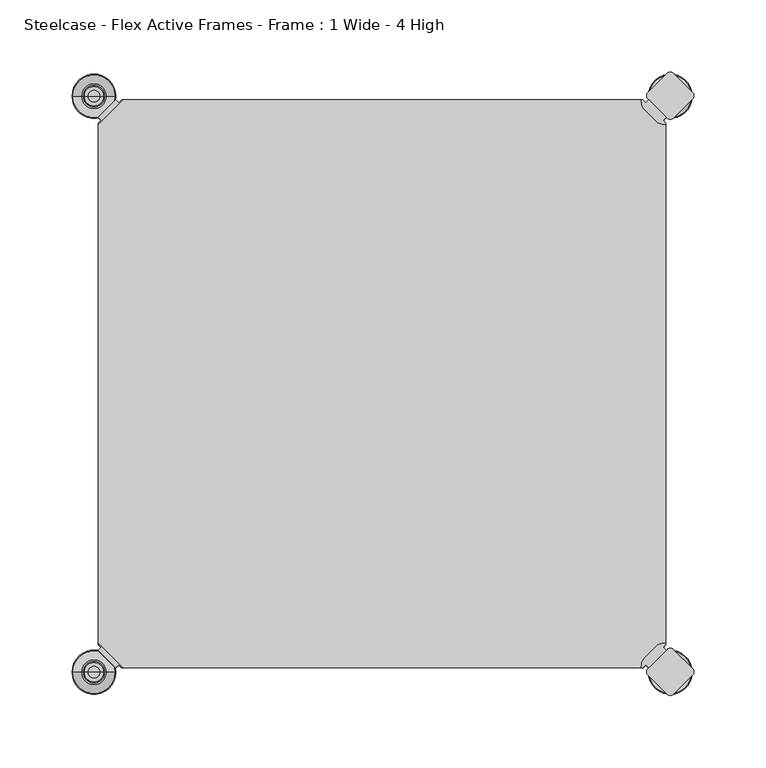
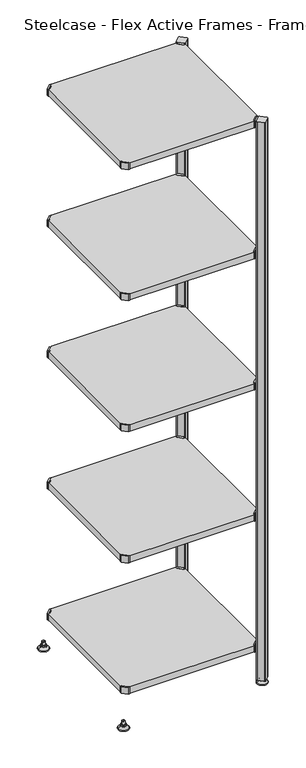
"""IFC4 building model written with IfcOpenShell, lengths in millimetres: furniture geometry, Steelcase - Flex Active Frames - Frame : 1 Wide - 4 High."""

from ifc_helpers import new_model, si_unit, point, frame, frame_2d, origin, place, context, project, spatial, polyline, circle_curve, ellipse_curve, trimmed, segment, composite_curve, outline, extrude, source, transform, mapped, element, save
from ifc_brep_helpers import plane_surface, cylinder_surface, revolved_surface, advanced_brep


def steelcase_flex_active_frames_frame_1_wide_4_high_0bc72460(model_context):
    return source(origin(), model_context, "Body", "SolidModel", [
        advanced_brep(
        [(397.0189896, -396.9286835, 0.0), (410.9677105, -396.9286835, 0.0), (383.0702688, -396.9286835, 0.0), (411.9146181, -396.9286835, 2.116325), (382.1233612, -396.9286835, 2.116325), (405.7623742, -396.9286835, 8.9997406), (388.2756051, -396.9286835, 8.9997406), (404.4198582, -396.9286835, 8.9997406), (389.6181211, -396.9286835, 8.9997406), (404.4198582, -396.9286835, 12.0919909), (389.6181211, -396.9286835, 12.0919909), (403.9118582, -396.9286835, 12.5999909), (390.1261211, -396.9286835, 12.5999909), (401.03832, -396.9286835, 12.5999909), (392.9996593, -396.9286835, 12.5999909), (401.03832, -396.9286835, 22.7146261), (392.9996593, -396.9286835, 22.7146261), (397.0189896, -396.9286835, 22.7146261)],
        [
            (0, 1),
            (1, 2, circle_curve(frame((397.0189896, -396.9286835, 0.0), z_axis=(0.0, 0.0, -1.0), x_axis=(1.0, 0.0, 0.0)), 13.9487209)),
            (2, 0),
            (2, 1, circle_curve(frame((397.0189896, -396.9286835, 0.0), z_axis=(0.0, 0.0, -1.0), x_axis=(1.0, 0.0, 0.0)), 13.9487209)),
            (1, 3, circle_curve(frame((410.9677105, -396.9286835, 1.27), z_axis=(0.0, -1.0, 0.0), x_axis=(1.0, 0.0, 0.0)), 1.27)),
            (3, 4, circle_curve(frame((397.0189896, -396.9286835, 2.116325), z_axis=(0.0, 0.0, -1.0), x_axis=(1.0, 0.0, 0.0)), 14.8956285)),
            (4, 2, circle_curve(frame((383.0702688, -396.9286835, 1.27), z_axis=(0.0, -1.0, 0.0), x_axis=(-1.0, 0.0, 0.0)), 1.27)),
            (4, 3, circle_curve(frame((397.0189896, -396.9286835, 2.116325), z_axis=(0.0, 0.0, -1.0), x_axis=(1.0, 0.0, 0.0)), 14.8956285)),
            (3, 5),
            (5, 6, circle_curve(frame((397.0189896, -396.9286835, 8.9997406), z_axis=(0.0, 0.0, -1.0), x_axis=(1.0, 0.0, 0.0)), 8.7433846)),
            (6, 4),
            (6, 5, circle_curve(frame((397.0189896, -396.9286835, 8.9997406), z_axis=(0.0, 0.0, -1.0), x_axis=(1.0, 0.0, 0.0)), 8.7433846)),
            (5, 7),
            (7, 8, circle_curve(frame((397.0189896, -396.9286835, 8.9997406), z_axis=(0.0, 0.0, -1.0), x_axis=(1.0, 0.0, 0.0)), 7.4008685)),
            (8, 6),
            (8, 7, circle_curve(frame((397.0189896, -396.9286835, 8.9997406), z_axis=(0.0, 0.0, -1.0), x_axis=(1.0, 0.0, 0.0)), 7.4008685)),
            (7, 9),
            (9, 10, circle_curve(frame((397.0189896, -396.9286835, 12.0919909), z_axis=(0.0, 0.0, -1.0), x_axis=(1.0, 0.0, 0.0)), 7.4008685)),
            (10, 8),
            (10, 9, circle_curve(frame((397.0189896, -396.9286835, 12.0919909), z_axis=(0.0, 0.0, -1.0), x_axis=(1.0, 0.0, 0.0)), 7.4008685)),
            (9, 11, circle_curve(frame((403.9118582, -396.9286835, 12.0919909), z_axis=(0.0, -1.0, 0.0), x_axis=(1.0, 0.0, 0.0)), 0.508)),
            (11, 12, circle_curve(frame((397.0189896, -396.9286835, 12.5999909), z_axis=(0.0, 0.0, -1.0), x_axis=(1.0, 0.0, 0.0)), 6.8928685)),
            (12, 10, circle_curve(frame((390.1261211, -396.9286835, 12.0919909), z_axis=(0.0, -1.0, 0.0), x_axis=(-1.0, 0.0, 0.0)), 0.508)),
            (12, 11, circle_curve(frame((397.0189896, -396.9286835, 12.5999909), z_axis=(0.0, 0.0, -1.0), x_axis=(1.0, 0.0, 0.0)), 6.8928685)),
            (11, 13),
            (13, 14, circle_curve(frame((397.0189896, -396.9286835, 12.5999909), z_axis=(0.0, 0.0, -1.0), x_axis=(1.0, 0.0, 0.0)), 4.0193303)),
            (14, 12),
            (14, 13, circle_curve(frame((397.0189896, -396.9286835, 12.5999909), z_axis=(0.0, 0.0, -1.0), x_axis=(1.0, 0.0, 0.0)), 4.0193303)),
            (13, 15),
            (15, 16, circle_curve(frame((397.0189896, -396.9286835, 22.7146261), z_axis=(0.0, 0.0, -1.0), x_axis=(1.0, 0.0, 0.0)), 4.0193303)),
            (16, 14),
            (16, 15, circle_curve(frame((397.0189896, -396.9286835, 22.7146261), z_axis=(0.0, 0.0, -1.0), x_axis=(1.0, 0.0, 0.0)), 4.0193303)),
            (15, 17),
            (17, 16),
        ],
        [
            plane_surface(frame((397.0189896, -396.9286835, 0.0), z_axis=(0.0, 0.0, -1.0), x_axis=(1.0, 0.0, 0.0))),
            revolved_surface(trimmed(ellipse_curve(frame((410.9677105, -396.9286835, 1.27), z_axis=(0.0, 1.0, 0.0), x_axis=(1.0, 0.0, 0.0)), 1.27, 1.27), [point((411.9146181, -396.9286835, 2.116325))], [point((410.9677105, -396.9286835, 0.0))], True, "CARTESIAN"), (397.0189896, -396.9286835, 32.0514718), (0.0, 0.0, -1.0)),
            revolved_surface(polyline([(405.7623742, -396.9286835, 8.9997406), (411.9146181, -396.9286835, 2.116325)]), (397.0189896, -396.9286835, 32.0514718), (0.0, 0.0, -1.0)),
            plane_surface(frame((397.0189896, -396.9286835, 8.9997406), z_axis=(0.0, 0.0, 1.0), x_axis=(1.0, 0.0, 0.0))),
            cylinder_surface(frame((397.0189896, -396.9286835, 32.0514718), z_axis=(0.0, 0.0, -1.0), x_axis=(1.0, 0.0, 0.0)), 7.4008685),
            revolved_surface(trimmed(ellipse_curve(frame((403.9118582, -396.9286835, 12.0919909), z_axis=(0.0, 1.0, 0.0), x_axis=(1.0, 0.0, 0.0)), 0.508, 0.508), [point((403.9118582, -396.9286835, 12.5999909))], [point((404.4198582, -396.9286835, 12.0919909))], True, "CARTESIAN"), (397.0189896, -396.9286835, 32.0514718), (0.0, 0.0, -1.0)),
            plane_surface(frame((397.0189896, -396.9286835, 12.5999909), z_axis=(0.0, 0.0, 1.0), x_axis=(1.0, 0.0, 0.0))),
            cylinder_surface(frame((397.0189896, -396.9286835, 32.0514718), z_axis=(0.0, 0.0, -1.0), x_axis=(1.0, 0.0, 0.0)), 4.0193303),
            plane_surface(frame((397.0189896, -396.9286835, 22.7146261), z_axis=(0.0, 0.0, 1.0), x_axis=(1.0, 0.0, 0.0))),
        ],
        [
            (0, [[1, 2, 3]]),
            (0, [[-3, 4, -1]]),
            (1, [[-2, 5, 6, 7]]),
            (1, [[-4, -7, 8, -5]]),
            (2, [[-6, 9, 10, 11]]),
            (2, [[-8, -11, 12, -9]]),
            (3, [[-10, 13, 14, 15]]),
            (3, [[-12, -15, 16, -13]]),
            (4, [[-14, 17, 18, 19]]),
            (4, [[-16, -19, 20, -17]]),
            (5, [[-18, 21, 22, 23]]),
            (5, [[-20, -23, 24, -21]]),
            (6, [[-22, 25, 26, 27]]),
            (6, [[-24, -27, 28, -25]]),
            (7, [[-26, 29, 30, 31]]),
            (7, [[-28, -31, 32, -29]]),
            (8, [[-30, 33, 34]]),
            (8, [[-32, -34, -33]]),
        ],
    ),
        advanced_brep(
        [(397.0189896, 2.9246323, 0.0), (383.0702688, 2.9246323, 0.0), (410.9677105, 2.9246323, 0.0), (382.1233612, 2.9246323, 2.116325), (411.9146181, 2.9246323, 2.116325), (388.2756051, 2.9246323, 8.9997406), (405.7623742, 2.9246323, 8.9997406), (389.6181211, 2.9246323, 8.9997406), (404.4198582, 2.9246323, 8.9997406), (389.6181211, 2.9246323, 12.0919909), (404.4198582, 2.9246323, 12.0919909), (390.1261211, 2.9246323, 12.5999909), (403.9118582, 2.9246323, 12.5999909), (392.9996593, 2.9246323, 12.5999909), (401.03832, 2.9246323, 12.5999909), (392.9996593, 2.9246323, 22.7146261), (401.03832, 2.9246323, 22.7146261), (397.0189896, 2.9246323, 22.7146261)],
        [
            (0, 1),
            (1, 2, circle_curve(frame((397.0189896, 2.9246323, 0.0), z_axis=(0.0, 0.0, -1.0), x_axis=(1.0, 0.0, 0.0)), 13.9487209)),
            (2, 0),
            (2, 1, circle_curve(frame((397.0189896, 2.9246323, 0.0), z_axis=(0.0, 0.0, -1.0), x_axis=(1.0, 0.0, 0.0)), 13.9487209)),
            (1, 3, circle_curve(frame((383.0702688, 2.9246323, 1.27), z_axis=(0.0, 1.0, 0.0), x_axis=(-1.0, 0.0, 0.0)), 1.27)),
            (3, 4, circle_curve(frame((397.0189896, 2.9246323, 2.116325), z_axis=(0.0, 0.0, -1.0), x_axis=(1.0, 0.0, 0.0)), 14.8956285)),
            (4, 2, circle_curve(frame((410.9677105, 2.9246323, 1.27), z_axis=(0.0, 1.0, 0.0), x_axis=(1.0, 0.0, 0.0)), 1.27)),
            (4, 3, circle_curve(frame((397.0189896, 2.9246323, 2.116325), z_axis=(0.0, 0.0, -1.0), x_axis=(1.0, 0.0, 0.0)), 14.8956285)),
            (3, 5),
            (5, 6, circle_curve(frame((397.0189896, 2.9246323, 8.9997406), z_axis=(0.0, 0.0, -1.0), x_axis=(1.0, 0.0, 0.0)), 8.7433846)),
            (6, 4),
            (6, 5, circle_curve(frame((397.0189896, 2.9246323, 8.9997406), z_axis=(0.0, 0.0, -1.0), x_axis=(1.0, 0.0, 0.0)), 8.7433846)),
            (5, 7),
            (7, 8, circle_curve(frame((397.0189896, 2.9246323, 8.9997406), z_axis=(0.0, 0.0, -1.0), x_axis=(1.0, 0.0, 0.0)), 7.4008685)),
            (8, 6),
            (8, 7, circle_curve(frame((397.0189896, 2.9246323, 8.9997406), z_axis=(0.0, 0.0, -1.0), x_axis=(1.0, 0.0, 0.0)), 7.4008685)),
            (7, 9),
            (9, 10, circle_curve(frame((397.0189896, 2.9246323, 12.0919909), z_axis=(0.0, 0.0, -1.0), x_axis=(1.0, 0.0, 0.0)), 7.4008685)),
            (10, 8),
            (10, 9, circle_curve(frame((397.0189896, 2.9246323, 12.0919909), z_axis=(0.0, 0.0, -1.0), x_axis=(1.0, 0.0, 0.0)), 7.4008685)),
            (9, 11, circle_curve(frame((390.1261211, 2.9246323, 12.0919909), z_axis=(0.0, 1.0, 0.0), x_axis=(-1.0, 0.0, 0.0)), 0.508)),
            (11, 12, circle_curve(frame((397.0189896, 2.9246323, 12.5999909), z_axis=(0.0, 0.0, -1.0), x_axis=(1.0, 0.0, 0.0)), 6.8928685)),
            (12, 10, circle_curve(frame((403.9118582, 2.9246323, 12.0919909), z_axis=(0.0, 1.0, 0.0), x_axis=(1.0, 0.0, 0.0)), 0.508)),
            (12, 11, circle_curve(frame((397.0189896, 2.9246323, 12.5999909), z_axis=(0.0, 0.0, -1.0), x_axis=(1.0, 0.0, 0.0)), 6.8928685)),
            (11, 13),
            (13, 14, circle_curve(frame((397.0189896, 2.9246323, 12.5999909), z_axis=(0.0, 0.0, -1.0), x_axis=(1.0, 0.0, 0.0)), 4.0193303)),
            (14, 12),
            (14, 13, circle_curve(frame((397.0189896, 2.9246323, 12.5999909), z_axis=(0.0, 0.0, -1.0), x_axis=(1.0, 0.0, 0.0)), 4.0193303)),
            (13, 15),
            (15, 16, circle_curve(frame((397.0189896, 2.9246323, 22.7146261), z_axis=(0.0, 0.0, -1.0), x_axis=(1.0, 0.0, 0.0)), 4.0193303)),
            (16, 14),
            (16, 15, circle_curve(frame((397.0189896, 2.9246323, 22.7146261), z_axis=(0.0, 0.0, -1.0), x_axis=(1.0, 0.0, 0.0)), 4.0193303)),
            (15, 17),
            (17, 16),
        ],
        [
            plane_surface(frame((397.0189896, 2.9246323, 0.0), z_axis=(0.0, 0.0, -1.0), x_axis=(1.0, 0.0, 0.0))),
            revolved_surface(trimmed(ellipse_curve(frame((410.9677105, 2.9246323, 1.27), z_axis=(0.0, 1.0, 0.0), x_axis=(1.0, 0.0, 0.0)), 1.27, 1.27), [point((411.9146181, 2.9246323, 2.116325))], [point((410.9677105, 2.9246323, 0.0))], True, "CARTESIAN"), (397.0189896, 2.9246323, 32.0514718), (0.0, 0.0, -1.0)),
            revolved_surface(polyline([(405.7623742, 2.9246323, 8.9997406), (411.9146181, 2.9246323, 2.116325)]), (397.0189896, 2.9246323, 32.0514718), (0.0, 0.0, -1.0)),
            plane_surface(frame((397.0189896, 2.9246323, 8.9997406), z_axis=(0.0, 0.0, 1.0), x_axis=(1.0, 0.0, 0.0))),
            cylinder_surface(frame((397.0189896, 2.9246323, 32.0514718), z_axis=(0.0, 0.0, -1.0), x_axis=(1.0, 0.0, 0.0)), 7.4008685),
            revolved_surface(trimmed(ellipse_curve(frame((403.9118582, 2.9246323, 12.0919909), z_axis=(0.0, 1.0, 0.0), x_axis=(1.0, 0.0, 0.0)), 0.508, 0.508), [point((403.9118582, 2.9246323, 12.5999909))], [point((404.4198582, 2.9246323, 12.0919909))], True, "CARTESIAN"), (397.0189896, 2.9246323, 32.0514718), (0.0, 0.0, -1.0)),
            plane_surface(frame((397.0189896, 2.9246323, 12.5999909), z_axis=(0.0, 0.0, 1.0), x_axis=(1.0, 0.0, 0.0))),
            cylinder_surface(frame((397.0189896, 2.9246323, 32.0514718), z_axis=(0.0, 0.0, -1.0), x_axis=(1.0, 0.0, 0.0)), 4.0193303),
            plane_surface(frame((397.0189896, 2.9246323, 22.7146261), z_axis=(0.0, 0.0, 1.0), x_axis=(1.0, 0.0, 0.0))),
        ],
        [
            (0, [[1, 2, 3]]),
            (0, [[-3, 4, -1]]),
            (1, [[5, 6, 7, -2]]),
            (1, [[-7, 8, -5, -4]]),
            (2, [[9, 10, 11, -6]]),
            (2, [[-11, 12, -9, -8]]),
            (3, [[13, 14, 15, -10]]),
            (3, [[-15, 16, -13, -12]]),
            (4, [[17, 18, 19, -14]]),
            (4, [[-19, 20, -17, -16]]),
            (5, [[21, 22, 23, -18]]),
            (5, [[-23, 24, -21, -20]]),
            (6, [[25, 26, 27, -22]]),
            (6, [[-27, 28, -25, -24]]),
            (7, [[29, 30, 31, -26]]),
            (7, [[-31, 32, -29, -28]]),
            (8, [[33, 34, -30]]),
            (8, [[-34, -33, -32]]),
        ],
    ),
        advanced_brep(
        [(-3.0195166, -396.8786323, 0.0), (10.9292042, -396.8786323, 0.0), (-16.9682375, -396.8786323, 0.0), (11.8761118, -396.8786323, 2.116325), (-17.9151451, -396.8786323, 2.116325), (5.7238679, -396.8786323, 8.9997406), (-11.7629012, -396.8786323, 8.9997406), (4.3813519, -396.8786323, 8.9997406), (-10.4203852, -396.8786323, 8.9997406), (4.3813519, -396.8786323, 12.0919909), (-10.4203852, -396.8786323, 12.0919909), (3.8733519, -396.8786323, 12.5999909), (-9.9123852, -396.8786323, 12.5999909), (0.9998137, -396.8786323, 12.5999909), (-7.038847, -396.8786323, 12.5999909), (0.9998137, -396.8786323, 22.7146261), (-7.038847, -396.8786323, 22.7146261), (-3.0195166, -396.8786323, 22.7146261)],
        [
            (0, 1),
            (1, 2, circle_curve(frame((-3.0195166, -396.8786323, 0.0), z_axis=(0.0, 0.0, -1.0), x_axis=(-1.0, 0.0, 0.0)), 13.9487209)),
            (2, 0),
            (2, 1, circle_curve(frame((-3.0195166, -396.8786323, 0.0), z_axis=(0.0, 0.0, -1.0), x_axis=(-1.0, 0.0, 0.0)), 13.9487209)),
            (1, 3, circle_curve(frame((10.9292042, -396.8786323, 1.27), z_axis=(0.0, -1.0, 0.0), x_axis=(1.0, 0.0, 0.0)), 1.27)),
            (3, 4, circle_curve(frame((-3.0195166, -396.8786323, 2.116325), z_axis=(0.0, 0.0, -1.0), x_axis=(-1.0, 0.0, 0.0)), 14.8956285)),
            (4, 2, circle_curve(frame((-16.9682375, -396.8786323, 1.27), z_axis=(0.0, -1.0, 0.0), x_axis=(-1.0, 0.0, 0.0)), 1.27)),
            (4, 3, circle_curve(frame((-3.0195166, -396.8786323, 2.116325), z_axis=(0.0, 0.0, -1.0), x_axis=(-1.0, 0.0, 0.0)), 14.8956285)),
            (3, 5),
            (5, 6, circle_curve(frame((-3.0195166, -396.8786323, 8.9997406), z_axis=(0.0, 0.0, -1.0), x_axis=(-1.0, 0.0, 0.0)), 8.7433846)),
            (6, 4),
            (6, 5, circle_curve(frame((-3.0195166, -396.8786323, 8.9997406), z_axis=(0.0, 0.0, -1.0), x_axis=(-1.0, 0.0, 0.0)), 8.7433846)),
            (5, 7),
            (7, 8, circle_curve(frame((-3.0195166, -396.8786323, 8.9997406), z_axis=(0.0, 0.0, -1.0), x_axis=(-1.0, 0.0, 0.0)), 7.4008685)),
            (8, 6),
            (8, 7, circle_curve(frame((-3.0195166, -396.8786323, 8.9997406), z_axis=(0.0, 0.0, -1.0), x_axis=(-1.0, 0.0, 0.0)), 7.4008685)),
            (7, 9),
            (9, 10, circle_curve(frame((-3.0195166, -396.8786323, 12.0919909), z_axis=(0.0, 0.0, -1.0), x_axis=(-1.0, 0.0, 0.0)), 7.4008685)),
            (10, 8),
            (10, 9, circle_curve(frame((-3.0195166, -396.8786323, 12.0919909), z_axis=(0.0, 0.0, -1.0), x_axis=(-1.0, 0.0, 0.0)), 7.4008685)),
            (9, 11, circle_curve(frame((3.8733519, -396.8786323, 12.0919909), z_axis=(0.0, -1.0, 0.0), x_axis=(1.0, 0.0, 0.0)), 0.508)),
            (11, 12, circle_curve(frame((-3.0195166, -396.8786323, 12.5999909), z_axis=(0.0, 0.0, -1.0), x_axis=(-1.0, 0.0, 0.0)), 6.8928685)),
            (12, 10, circle_curve(frame((-9.9123852, -396.8786323, 12.0919909), z_axis=(0.0, -1.0, 0.0), x_axis=(-1.0, 0.0, 0.0)), 0.508)),
            (12, 11, circle_curve(frame((-3.0195166, -396.8786323, 12.5999909), z_axis=(0.0, 0.0, -1.0), x_axis=(-1.0, 0.0, 0.0)), 6.8928685)),
            (11, 13),
            (13, 14, circle_curve(frame((-3.0195166, -396.8786323, 12.5999909), z_axis=(0.0, 0.0, -1.0), x_axis=(-1.0, 0.0, 0.0)), 4.0193303)),
            (14, 12),
            (14, 13, circle_curve(frame((-3.0195166, -396.8786323, 12.5999909), z_axis=(0.0, 0.0, -1.0), x_axis=(-1.0, 0.0, 0.0)), 4.0193303)),
            (13, 15),
            (15, 16, circle_curve(frame((-3.0195166, -396.8786323, 22.7146261), z_axis=(0.0, 0.0, -1.0), x_axis=(-1.0, 0.0, 0.0)), 4.0193303)),
            (16, 14),
            (16, 15, circle_curve(frame((-3.0195166, -396.8786323, 22.7146261), z_axis=(0.0, 0.0, -1.0), x_axis=(-1.0, 0.0, 0.0)), 4.0193303)),
            (15, 17),
            (17, 16),
        ],
        [
            plane_surface(frame((-3.0195166, -396.8786323, 0.0), z_axis=(0.0, 0.0, -1.0), x_axis=(-1.0, 0.0, 0.0))),
            revolved_surface(trimmed(ellipse_curve(frame((-16.9682375, -396.8786323, 1.27), z_axis=(0.0, -1.0, 0.0), x_axis=(-1.0, 0.0, 0.0)), 1.27, 1.27), [point((-17.9151451, -396.8786323, 2.116325))], [point((-16.9682375, -396.8786323, 0.0))], True, "CARTESIAN"), (-3.0195166, -396.8786323, 32.0514718), (0.0, 0.0, -1.0)),
            revolved_surface(polyline([(-11.7629012, -396.8786323, 8.9997406), (-17.9151451, -396.8786323, 2.116325)]), (-3.0195166, -396.8786323, 32.0514718), (0.0, 0.0, -1.0)),
            plane_surface(frame((-3.0195166, -396.8786323, 8.9997406), z_axis=(0.0, 0.0, 1.0), x_axis=(-1.0, 0.0, 0.0))),
            cylinder_surface(frame((-3.0195166, -396.8786323, 32.0514718), z_axis=(0.0, 0.0, -1.0), x_axis=(-1.0, 0.0, 0.0)), 7.4008685),
            revolved_surface(trimmed(ellipse_curve(frame((-9.9123852, -396.8786323, 12.0919909), z_axis=(0.0, -1.0, 0.0), x_axis=(-1.0, 0.0, 0.0)), 0.508, 0.508), [point((-9.9123852, -396.8786323, 12.5999909))], [point((-10.4203852, -396.8786323, 12.0919909))], True, "CARTESIAN"), (-3.0195166, -396.8786323, 32.0514718), (0.0, 0.0, -1.0)),
            plane_surface(frame((-3.0195166, -396.8786323, 12.5999909), z_axis=(0.0, 0.0, 1.0), x_axis=(-1.0, 0.0, 0.0))),
            cylinder_surface(frame((-3.0195166, -396.8786323, 32.0514718), z_axis=(0.0, 0.0, -1.0), x_axis=(-1.0, 0.0, 0.0)), 4.0193303),
            plane_surface(frame((-3.0195166, -396.8786323, 22.7146261), z_axis=(0.0, 0.0, 1.0), x_axis=(-1.0, 0.0, 0.0))),
        ],
        [
            (0, [[1, 2, 3]]),
            (0, [[-3, 4, -1]]),
            (1, [[5, 6, 7, -2]]),
            (1, [[-7, 8, -5, -4]]),
            (2, [[9, 10, 11, -6]]),
            (2, [[-11, 12, -9, -8]]),
            (3, [[13, 14, 15, -10]]),
            (3, [[-15, 16, -13, -12]]),
            (4, [[17, 18, 19, -14]]),
            (4, [[-19, 20, -17, -16]]),
            (5, [[21, 22, 23, -18]]),
            (5, [[-23, 24, -21, -20]]),
            (6, [[25, 26, 27, -22]]),
            (6, [[-27, 28, -25, -24]]),
            (7, [[29, 30, 31, -26]]),
            (7, [[-31, 32, -29, -28]]),
            (8, [[33, 34, -30]]),
            (8, [[-34, -33, -32]]),
        ],
    ),
        advanced_brep(
        [(-3.0195166, 2.9246323, 0.0), (-16.9682375, 2.9246323, 0.0), (10.9292042, 2.9246323, 0.0), (-17.9151451, 2.9246323, 2.116325), (11.8761118, 2.9246323, 2.116325), (-11.7629012, 2.9246323, 8.9997406), (5.7238679, 2.9246323, 8.9997406), (-10.4203852, 2.9246323, 8.9997406), (4.3813519, 2.9246323, 8.9997406), (-10.4203852, 2.9246323, 12.0919909), (4.3813519, 2.9246323, 12.0919909), (-9.9123852, 2.9246323, 12.5999909), (3.8733519, 2.9246323, 12.5999909), (-7.038847, 2.9246323, 12.5999909), (0.9998137, 2.9246323, 12.5999909), (-7.038847, 2.9246323, 22.7146261), (0.9998137, 2.9246323, 22.7146261), (-3.0195166, 2.9246323, 22.7146261)],
        [
            (0, 1),
            (1, 2, circle_curve(frame((-3.0195166, 2.9246323, 0.0), z_axis=(0.0, 0.0, -1.0), x_axis=(-1.0, 0.0, 0.0)), 13.9487209)),
            (2, 0),
            (2, 1, circle_curve(frame((-3.0195166, 2.9246323, 0.0), z_axis=(0.0, 0.0, -1.0), x_axis=(-1.0, 0.0, 0.0)), 13.9487209)),
            (1, 3, circle_curve(frame((-16.9682375, 2.9246323, 1.27), z_axis=(0.0, 1.0, 0.0), x_axis=(-1.0, 0.0, 0.0)), 1.27)),
            (3, 4, circle_curve(frame((-3.0195166, 2.9246323, 2.116325), z_axis=(0.0, 0.0, -1.0), x_axis=(-1.0, 0.0, 0.0)), 14.8956285)),
            (4, 2, circle_curve(frame((10.9292042, 2.9246323, 1.27), z_axis=(0.0, 1.0, 0.0), x_axis=(1.0, 0.0, 0.0)), 1.27)),
            (4, 3, circle_curve(frame((-3.0195166, 2.9246323, 2.116325), z_axis=(0.0, 0.0, -1.0), x_axis=(-1.0, 0.0, 0.0)), 14.8956285)),
            (3, 5),
            (5, 6, circle_curve(frame((-3.0195166, 2.9246323, 8.9997406), z_axis=(0.0, 0.0, -1.0), x_axis=(-1.0, 0.0, 0.0)), 8.7433846)),
            (6, 4),
            (6, 5, circle_curve(frame((-3.0195166, 2.9246323, 8.9997406), z_axis=(0.0, 0.0, -1.0), x_axis=(-1.0, 0.0, 0.0)), 8.7433846)),
            (5, 7),
            (7, 8, circle_curve(frame((-3.0195166, 2.9246323, 8.9997406), z_axis=(0.0, 0.0, -1.0), x_axis=(-1.0, 0.0, 0.0)), 7.4008685)),
            (8, 6),
            (8, 7, circle_curve(frame((-3.0195166, 2.9246323, 8.9997406), z_axis=(0.0, 0.0, -1.0), x_axis=(-1.0, 0.0, 0.0)), 7.4008685)),
            (7, 9),
            (9, 10, circle_curve(frame((-3.0195166, 2.9246323, 12.0919909), z_axis=(0.0, 0.0, -1.0), x_axis=(-1.0, 0.0, 0.0)), 7.4008685)),
            (10, 8),
            (10, 9, circle_curve(frame((-3.0195166, 2.9246323, 12.0919909), z_axis=(0.0, 0.0, -1.0), x_axis=(-1.0, 0.0, 0.0)), 7.4008685)),
            (9, 11, circle_curve(frame((-9.9123852, 2.9246323, 12.0919909), z_axis=(0.0, 1.0, 0.0), x_axis=(-1.0, 0.0, 0.0)), 0.508)),
            (11, 12, circle_curve(frame((-3.0195166, 2.9246323, 12.5999909), z_axis=(0.0, 0.0, -1.0), x_axis=(-1.0, 0.0, 0.0)), 6.8928685)),
            (12, 10, circle_curve(frame((3.8733519, 2.9246323, 12.0919909), z_axis=(0.0, 1.0, 0.0), x_axis=(1.0, 0.0, 0.0)), 0.508)),
            (12, 11, circle_curve(frame((-3.0195166, 2.9246323, 12.5999909), z_axis=(0.0, 0.0, -1.0), x_axis=(-1.0, 0.0, 0.0)), 6.8928685)),
            (11, 13),
            (13, 14, circle_curve(frame((-3.0195166, 2.9246323, 12.5999909), z_axis=(0.0, 0.0, -1.0), x_axis=(-1.0, 0.0, 0.0)), 4.0193303)),
            (14, 12),
            (14, 13, circle_curve(frame((-3.0195166, 2.9246323, 12.5999909), z_axis=(0.0, 0.0, -1.0), x_axis=(-1.0, 0.0, 0.0)), 4.0193303)),
            (13, 15),
            (15, 16, circle_curve(frame((-3.0195166, 2.9246323, 22.7146261), z_axis=(0.0, 0.0, -1.0), x_axis=(-1.0, 0.0, 0.0)), 4.0193303)),
            (16, 14),
            (16, 15, circle_curve(frame((-3.0195166, 2.9246323, 22.7146261), z_axis=(0.0, 0.0, -1.0), x_axis=(-1.0, 0.0, 0.0)), 4.0193303)),
            (15, 17),
            (17, 16),
        ],
        [
            plane_surface(frame((-3.0195166, 2.9246323, 0.0), z_axis=(0.0, 0.0, -1.0), x_axis=(-1.0, 0.0, 0.0))),
            revolved_surface(trimmed(ellipse_curve(frame((-16.9682375, 2.9246323, 1.27), z_axis=(0.0, -1.0, 0.0), x_axis=(-1.0, 0.0, 0.0)), 1.27, 1.27), [point((-17.9151451, 2.9246323, 2.116325))], [point((-16.9682375, 2.9246323, 0.0))], True, "CARTESIAN"), (-3.0195166, 2.9246323, 32.0514718), (0.0, 0.0, -1.0)),
            revolved_surface(polyline([(-11.7629012, 2.9246323, 8.9997406), (-17.9151451, 2.9246323, 2.116325)]), (-3.0195166, 2.9246323, 32.0514718), (0.0, 0.0, -1.0)),
            plane_surface(frame((-3.0195166, 2.9246323, 8.9997406), z_axis=(0.0, 0.0, 1.0), x_axis=(-1.0, 0.0, 0.0))),
            cylinder_surface(frame((-3.0195166, 2.9246323, 32.0514718), z_axis=(0.0, 0.0, -1.0), x_axis=(-1.0, 0.0, 0.0)), 7.4008685),
            revolved_surface(trimmed(ellipse_curve(frame((-9.9123852, 2.9246323, 12.0919909), z_axis=(0.0, -1.0, 0.0), x_axis=(-1.0, 0.0, 0.0)), 0.508, 0.508), [point((-9.9123852, 2.9246323, 12.5999909))], [point((-10.4203852, 2.9246323, 12.0919909))], True, "CARTESIAN"), (-3.0195166, 2.9246323, 32.0514718), (0.0, 0.0, -1.0)),
            plane_surface(frame((-3.0195166, 2.9246323, 12.5999909), z_axis=(0.0, 0.0, 1.0), x_axis=(-1.0, 0.0, 0.0))),
            cylinder_surface(frame((-3.0195166, 2.9246323, 32.0514718), z_axis=(0.0, 0.0, -1.0), x_axis=(-1.0, 0.0, 0.0)), 4.0193303),
            plane_surface(frame((-3.0195166, 2.9246323, 22.7146261), z_axis=(0.0, 0.0, 1.0), x_axis=(-1.0, 0.0, 0.0))),
        ],
        [
            (0, [[1, 2, 3]]),
            (0, [[-3, 4, -1]]),
            (1, [[-2, 5, 6, 7]]),
            (1, [[-4, -7, 8, -5]]),
            (2, [[-6, 9, 10, 11]]),
            (2, [[-8, -11, 12, -9]]),
            (3, [[-10, 13, 14, 15]]),
            (3, [[-12, -15, 16, -13]]),
            (4, [[-14, 17, 18, 19]]),
            (4, [[-16, -19, 20, -17]]),
            (5, [[-18, 21, 22, 23]]),
            (5, [[-20, -23, 24, -21]]),
            (6, [[-22, 25, 26, 27]]),
            (6, [[-24, -27, 28, -25]]),
            (7, [[-26, 29, 30, 31]]),
            (7, [[-28, -31, 32, -29]]),
            (8, [[-30, 33, 34]]),
            (8, [[-32, -34, -33]]),
        ],
    ),
        extrude(outline(composite_curve([segment(polyline([(379.8559087, -1.93874), (381.9438741, 0.1493247), (394.1381758, -12.044977), (392.050245, -14.1329326), (394.0211787, -16.1038431), (394.0089928, -17.203916), (391.2738542, -16.8384277)]), True, "CONTINUOUS"), segment(trimmed(circle_curve(frame_2d((392.1149096, -10.5443729)), 6.35), [point((391.2738542, -16.8384277))], [point((387.6247514, -15.0344708))], False, "CARTESIAN"), True, "CONTINUOUS"), segment(polyline([(387.6247514, -15.0344708), (378.9554584, -6.3650612)]), True, "CONTINUOUS"), segment(trimmed(circle_curve(frame_2d((383.4456166, -1.8749633)), 6.35), [point((378.9554584, -6.3650612))], [point((377.1515853, -2.7161946))], False, "CARTESIAN"), True, "CONTINUOUS"), segment(polyline([(377.1515853, -2.7161946), (376.786013, 0.0189911), (377.8859459, 0.0311996), (379.8559087, -1.93874)]), True, "CONTINUOUS")], self_intersect=False)), frame((0.0, 0.0, 1696.4822044), z_axis=(0.0, 0.0, 1.0), x_axis=(1.0, 0.0, 0.0)), (0.0, 0.0, 1.0), 20.2281258),
        extrude(outline(composite_curve([segment(polyline([(379.8559087, -392.01526), (377.8859459, -393.9851996), (376.786013, -393.9729911), (377.1515853, -391.2378054)]), True, "CONTINUOUS"), segment(trimmed(circle_curve(frame_2d((383.4456166, -392.0790367)), 6.35), [point((377.1515853, -391.2378054))], [point((378.9554584, -387.5889388))], False, "CARTESIAN"), True, "CONTINUOUS"), segment(polyline([(378.9554584, -387.5889388), (387.6247514, -378.9195292)]), True, "CONTINUOUS"), segment(trimmed(circle_curve(frame_2d((392.1149096, -383.4096271)), 6.35), [point((387.6247514, -378.9195292))], [point((391.2738542, -377.1155723))], False, "CARTESIAN"), True, "CONTINUOUS"), segment(polyline([(391.2738542, -377.1155723), (394.0089928, -376.750084), (394.0211787, -377.8501569), (392.050245, -379.8210674), (394.1381758, -381.909023), (381.9438741, -394.1033247), (379.8559087, -392.01526)]), True, "CONTINUOUS")], self_intersect=False)), frame((0.0, 0.0, 1696.4822044), z_axis=(0.0, 0.0, 1.0), x_axis=(1.0, 0.0, 0.0)), (0.0, 0.0, 1.0), 20.2281258),
        extrude(outline(polyline([(0.0003876, -376.7599914), (0.0003876, -17.1940086), (17.1943962, 0.0), (376.8050768, 0.0), (393.9990854, -17.1940086), (393.9990854, -376.7599914), (376.8050768, -393.954), (17.1943962, -393.954), (0.0003876, -376.7599914)])), frame((0.0, 0.0, 1697.4996811), z_axis=(0.0, 0.0, 1.0), x_axis=(1.0, 0.0, 0.0)), (0.0, 0.0, 1.0), 19.0000031),
        extrude(outline(composite_curve([segment(polyline([(14.1435643, -1.93874), (16.1135271, 0.0311996), (17.21346, 0.0189911), (16.8478877, -2.7161946)]), True, "CONTINUOUS"), segment(trimmed(circle_curve(frame_2d((10.5538564, -1.8749633)), 6.35), [point((16.8478877, -2.7161946))], [point((15.0440146, -6.3650612))], False, "CARTESIAN"), True, "CONTINUOUS"), segment(polyline([(15.0440146, -6.3650612), (6.3747216, -15.0344708)]), True, "CONTINUOUS"), segment(trimmed(circle_curve(frame_2d((1.8845634, -10.5443729)), 6.35), [point((6.3747216, -15.0344708))], [point((2.7256188, -16.8384277))], False, "CARTESIAN"), True, "CONTINUOUS"), segment(polyline([(2.7256188, -16.8384277), (-0.0095198, -17.203916), (-0.0217057, -16.1038431), (1.949228, -14.1329326), (-0.1387028, -12.044977), (12.0555989, 0.1493247), (14.1435643, -1.93874)]), True, "CONTINUOUS")], self_intersect=False)), frame((0.0, 0.0, 1696.4822044), z_axis=(0.0, 0.0, 1.0), x_axis=(1.0, 0.0, 0.0)), (0.0, 0.0, 1.0), 20.2281258),
        extrude(outline(composite_curve([segment(polyline([(14.1435643, -392.01526), (12.0555989, -394.1033247), (-0.1387028, -381.909023), (1.949228, -379.8210674), (-0.0217057, -377.8501569), (-0.0095198, -376.750084), (2.7256188, -377.1155723)]), True, "CONTINUOUS"), segment(trimmed(circle_curve(frame_2d((1.8845634, -383.4096271)), 6.35), [point((2.7256188, -377.1155723))], [point((6.3747216, -378.9195292))], False, "CARTESIAN"), True, "CONTINUOUS"), segment(polyline([(6.3747216, -378.9195292), (15.0440146, -387.5889388)]), True, "CONTINUOUS"), segment(trimmed(circle_curve(frame_2d((10.5538564, -392.0790367)), 6.35), [point((15.0440146, -387.5889388))], [point((16.8478877, -391.2378054))], False, "CARTESIAN"), True, "CONTINUOUS"), segment(polyline([(16.8478877, -391.2378054), (17.21346, -393.9729911), (16.1135271, -393.9851996), (14.1435643, -392.01526)]), True, "CONTINUOUS")], self_intersect=False)), frame((0.0, 0.0, 1696.4822044), z_axis=(0.0, 0.0, 1.0), x_axis=(1.0, 0.0, 0.0)), (0.0, 0.0, 1.0), 20.2281258),
        extrude(outline(composite_curve([segment(polyline([(379.8559087, -1.93874), (381.9438741, 0.1493247), (394.1381758, -12.044977), (392.050245, -14.1329326), (394.0211787, -16.1038431), (394.0089928, -17.203916), (391.2738542, -16.8384277)]), True, "CONTINUOUS"), segment(trimmed(circle_curve(frame_2d((392.1149096, -10.5443729)), 6.35), [point((391.2738542, -16.8384277))], [point((387.6247514, -15.0344708))], False, "CARTESIAN"), True, "CONTINUOUS"), segment(polyline([(387.6247514, -15.0344708), (378.9554584, -6.3650612)]), True, "CONTINUOUS"), segment(trimmed(circle_curve(frame_2d((383.4456166, -1.8749633)), 6.35), [point((378.9554584, -6.3650612))], [point((377.1515853, -2.7161946))], False, "CARTESIAN"), True, "CONTINUOUS"), segment(polyline([(377.1515853, -2.7161946), (376.786013, 0.0189911), (377.8859459, 0.0311996), (379.8559087, -1.93874)]), True, "CONTINUOUS")], self_intersect=False)), frame((0.0, 0.0, 1296.4822014), z_axis=(0.0, 0.0, 1.0), x_axis=(1.0, 0.0, 0.0)), (0.0, 0.0, 1.0), 20.2281258),
        extrude(outline(composite_curve([segment(polyline([(379.8559087, -392.01526), (377.8859459, -393.9851996), (376.786013, -393.9729911), (377.1515853, -391.2378054)]), True, "CONTINUOUS"), segment(trimmed(circle_curve(frame_2d((383.4456166, -392.0790367)), 6.35), [point((377.1515853, -391.2378054))], [point((378.9554584, -387.5889388))], False, "CARTESIAN"), True, "CONTINUOUS"), segment(polyline([(378.9554584, -387.5889388), (387.6247514, -378.9195292)]), True, "CONTINUOUS"), segment(trimmed(circle_curve(frame_2d((392.1149096, -383.4096271)), 6.35), [point((387.6247514, -378.9195292))], [point((391.2738542, -377.1155723))], False, "CARTESIAN"), True, "CONTINUOUS"), segment(polyline([(391.2738542, -377.1155723), (394.0089928, -376.750084), (394.0211787, -377.8501569), (392.050245, -379.8210674), (394.1381758, -381.909023), (381.9438741, -394.1033247), (379.8559087, -392.01526)]), True, "CONTINUOUS")], self_intersect=False)), frame((0.0, 0.0, 1296.4822014), z_axis=(0.0, 0.0, 1.0), x_axis=(1.0, 0.0, 0.0)), (0.0, 0.0, 1.0), 20.2281258),
        extrude(outline(polyline([(0.0003876, -376.7599914), (0.0003876, -17.1940086), (17.1943962, 0.0), (376.8050768, 0.0), (393.9990854, -17.1940086), (393.9990854, -376.7599914), (376.8050768, -393.954), (17.1943962, -393.954), (0.0003876, -376.7599914)])), frame((0.0, 0.0, 1297.499678), z_axis=(0.0, 0.0, 1.0), x_axis=(1.0, 0.0, 0.0)), (0.0, 0.0, 1.0), 19.0000031),
        extrude(outline(composite_curve([segment(polyline([(14.1435643, -1.93874), (16.1135271, 0.0311996), (17.21346, 0.0189911), (16.8478877, -2.7161946)]), True, "CONTINUOUS"), segment(trimmed(circle_curve(frame_2d((10.5538564, -1.8749633)), 6.35), [point((16.8478877, -2.7161946))], [point((15.0440146, -6.3650612))], False, "CARTESIAN"), True, "CONTINUOUS"), segment(polyline([(15.0440146, -6.3650612), (6.3747216, -15.0344708)]), True, "CONTINUOUS"), segment(trimmed(circle_curve(frame_2d((1.8845634, -10.5443729)), 6.35), [point((6.3747216, -15.0344708))], [point((2.7256188, -16.8384277))], False, "CARTESIAN"), True, "CONTINUOUS"), segment(polyline([(2.7256188, -16.8384277), (-0.0095198, -17.203916), (-0.0217057, -16.1038431), (1.949228, -14.1329326), (-0.1387028, -12.044977), (12.0555989, 0.1493247), (14.1435643, -1.93874)]), True, "CONTINUOUS")], self_intersect=False)), frame((0.0, 0.0, 1296.4822014), z_axis=(0.0, 0.0, 1.0), x_axis=(1.0, 0.0, 0.0)), (0.0, 0.0, 1.0), 20.2281258),
        extrude(outline(composite_curve([segment(polyline([(14.1435643, -392.01526), (12.0555989, -394.1033247), (-0.1387028, -381.909023), (1.949228, -379.8210674), (-0.0217057, -377.8501569), (-0.0095198, -376.750084), (2.7256188, -377.1155723)]), True, "CONTINUOUS"), segment(trimmed(circle_curve(frame_2d((1.8845634, -383.4096271)), 6.35), [point((2.7256188, -377.1155723))], [point((6.3747216, -378.9195292))], False, "CARTESIAN"), True, "CONTINUOUS"), segment(polyline([(6.3747216, -378.9195292), (15.0440146, -387.5889388)]), True, "CONTINUOUS"), segment(trimmed(circle_curve(frame_2d((10.5538564, -392.0790367)), 6.35), [point((15.0440146, -387.5889388))], [point((16.8478877, -391.2378054))], False, "CARTESIAN"), True, "CONTINUOUS"), segment(polyline([(16.8478877, -391.2378054), (17.21346, -393.9729911), (16.1135271, -393.9851996), (14.1435643, -392.01526)]), True, "CONTINUOUS")], self_intersect=False)), frame((0.0, 0.0, 1296.4822014), z_axis=(0.0, 0.0, 1.0), x_axis=(1.0, 0.0, 0.0)), (0.0, 0.0, 1.0), 20.2281258),
        extrude(outline(composite_curve([segment(polyline([(379.8559087, -1.93874), (381.9438741, 0.1493247), (394.1381758, -12.044977), (392.050245, -14.1329326), (394.0211787, -16.1038431), (394.0089928, -17.203916), (391.2738542, -16.8384277)]), True, "CONTINUOUS"), segment(trimmed(circle_curve(frame_2d((392.1149096, -10.5443729)), 6.35), [point((391.2738542, -16.8384277))], [point((387.6247514, -15.0344708))], False, "CARTESIAN"), True, "CONTINUOUS"), segment(polyline([(387.6247514, -15.0344708), (378.9554584, -6.3650612)]), True, "CONTINUOUS"), segment(trimmed(circle_curve(frame_2d((383.4456166, -1.8749633)), 6.35), [point((378.9554584, -6.3650612))], [point((377.1515853, -2.7161946))], False, "CARTESIAN"), True, "CONTINUOUS"), segment(polyline([(377.1515853, -2.7161946), (376.786013, 0.0189911), (377.8859459, 0.0311996), (379.8559087, -1.93874)]), True, "CONTINUOUS")], self_intersect=False)), frame((0.0, 0.0, 896.4822952), z_axis=(0.0, 0.0, 1.0), x_axis=(1.0, 0.0, 0.0)), (0.0, 0.0, 1.0), 20.2281258),
        extrude(outline(composite_curve([segment(polyline([(379.8559087, -392.01526), (377.8859459, -393.9851996), (376.786013, -393.9729911), (377.1515853, -391.2378054)]), True, "CONTINUOUS"), segment(trimmed(circle_curve(frame_2d((383.4456166, -392.0790367)), 6.35), [point((377.1515853, -391.2378054))], [point((378.9554584, -387.5889388))], False, "CARTESIAN"), True, "CONTINUOUS"), segment(polyline([(378.9554584, -387.5889388), (387.6247514, -378.9195292)]), True, "CONTINUOUS"), segment(trimmed(circle_curve(frame_2d((392.1149096, -383.4096271)), 6.35), [point((387.6247514, -378.9195292))], [point((391.2738542, -377.1155723))], False, "CARTESIAN"), True, "CONTINUOUS"), segment(polyline([(391.2738542, -377.1155723), (394.0089928, -376.750084), (394.0211787, -377.8501569), (392.050245, -379.8210674), (394.1381758, -381.909023), (381.9438741, -394.1033247), (379.8559087, -392.01526)]), True, "CONTINUOUS")], self_intersect=False)), frame((0.0, 0.0, 896.4822952), z_axis=(0.0, 0.0, 1.0), x_axis=(1.0, 0.0, 0.0)), (0.0, 0.0, 1.0), 20.2281258),
        extrude(outline(composite_curve([segment(polyline([(379.8559087, -1.93874), (381.9438741, 0.1493247), (394.1381758, -12.044977), (392.050245, -14.1329326), (394.0211787, -16.1038431), (394.0089928, -17.203916), (391.2738542, -16.8384277)]), True, "CONTINUOUS"), segment(trimmed(circle_curve(frame_2d((392.1149096, -10.5443729)), 6.35), [point((391.2738542, -16.8384277))], [point((387.6247514, -15.0344708))], False, "CARTESIAN"), True, "CONTINUOUS"), segment(polyline([(387.6247514, -15.0344708), (378.9554584, -6.3650612)]), True, "CONTINUOUS"), segment(trimmed(circle_curve(frame_2d((383.4456166, -1.8749633)), 6.35), [point((378.9554584, -6.3650612))], [point((377.1515853, -2.7161946))], False, "CARTESIAN"), True, "CONTINUOUS"), segment(polyline([(377.1515853, -2.7161946), (376.786013, 0.0189911), (377.8859459, 0.0311996), (379.8559087, -1.93874)]), True, "CONTINUOUS")], self_intersect=False)), frame((0.0, 0.0, 496.4821468), z_axis=(0.0, 0.0, 1.0), x_axis=(1.0, 0.0, 0.0)), (0.0, 0.0, 1.0), 20.2281258),
        extrude(outline(composite_curve([segment(polyline([(379.8559087, -392.01526), (377.8859459, -393.9851996), (376.786013, -393.9729911), (377.1515853, -391.2378054)]), True, "CONTINUOUS"), segment(trimmed(circle_curve(frame_2d((383.4456166, -392.0790367)), 6.35), [point((377.1515853, -391.2378054))], [point((378.9554584, -387.5889388))], False, "CARTESIAN"), True, "CONTINUOUS"), segment(polyline([(378.9554584, -387.5889388), (387.6247514, -378.9195292)]), True, "CONTINUOUS"), segment(trimmed(circle_curve(frame_2d((392.1149096, -383.4096271)), 6.35), [point((387.6247514, -378.9195292))], [point((391.2738542, -377.1155723))], False, "CARTESIAN"), True, "CONTINUOUS"), segment(polyline([(391.2738542, -377.1155723), (394.0089928, -376.750084), (394.0211787, -377.8501569), (392.050245, -379.8210674), (394.1381758, -381.909023), (381.9438741, -394.1033247), (379.8559087, -392.01526)]), True, "CONTINUOUS")], self_intersect=False)), frame((0.0, 0.0, 496.4821468), z_axis=(0.0, 0.0, 1.0), x_axis=(1.0, 0.0, 0.0)), (0.0, 0.0, 1.0), 20.2281258),
        extrude(outline(composite_curve([segment(polyline([(379.8559087, -1.93874), (381.9438741, 0.1493247), (394.1381758, -12.044977), (392.050245, -14.1329326), (394.0211787, -16.1038431), (394.0089928, -17.203916), (391.2738542, -16.8384277)]), True, "CONTINUOUS"), segment(trimmed(circle_curve(frame_2d((392.1149096, -10.5443729)), 6.35), [point((391.2738542, -16.8384277))], [point((387.6247514, -15.0344708))], False, "CARTESIAN"), True, "CONTINUOUS"), segment(polyline([(387.6247514, -15.0344708), (378.9554584, -6.3650612)]), True, "CONTINUOUS"), segment(trimmed(circle_curve(frame_2d((383.4456166, -1.8749633)), 6.35), [point((378.9554584, -6.3650612))], [point((377.1515853, -2.7161946))], False, "CARTESIAN"), True, "CONTINUOUS"), segment(polyline([(377.1515853, -2.7161946), (376.786013, 0.0189911), (377.8859459, 0.0311996), (379.8559087, -1.93874)]), True, "CONTINUOUS")], self_intersect=False)), frame((0.0, 0.0, 96.4824829), z_axis=(0.0, 0.0, 1.0), x_axis=(1.0, 0.0, 0.0)), (0.0, 0.0, 1.0), 20.2281258),
        extrude(outline(composite_curve([segment(polyline([(379.8559087, -392.01526), (377.8859459, -393.9851996), (376.786013, -393.9729911), (377.1515853, -391.2378054)]), True, "CONTINUOUS"), segment(trimmed(circle_curve(frame_2d((383.4456166, -392.0790367)), 6.35), [point((377.1515853, -391.2378054))], [point((378.9554584, -387.5889388))], False, "CARTESIAN"), True, "CONTINUOUS"), segment(polyline([(378.9554584, -387.5889388), (387.6247514, -378.9195292)]), True, "CONTINUOUS"), segment(trimmed(circle_curve(frame_2d((392.1149096, -383.4096271)), 6.35), [point((387.6247514, -378.9195292))], [point((391.2738542, -377.1155723))], False, "CARTESIAN"), True, "CONTINUOUS"), segment(polyline([(391.2738542, -377.1155723), (394.0089928, -376.750084), (394.0211787, -377.8501569), (392.050245, -379.8210674), (394.1381758, -381.909023), (381.9438741, -394.1033247), (379.8559087, -392.01526)]), True, "CONTINUOUS")], self_intersect=False)), frame((0.0, 0.0, 96.4824829), z_axis=(0.0, 0.0, 1.0), x_axis=(1.0, 0.0, 0.0)), (0.0, 0.0, 1.0), 20.2281258),
        extrude(outline(composite_curve([segment(trimmed(circle_curve(frame_2d((410.3732751, 2.9983545)), 3.048), [point((412.5285497, 5.1536029))], [point((412.5285235, 0.8430799))], False, "CARTESIAN"), True, "CONTINUOUS"), segment(polyline([(412.5285235, 0.8430799), (399.1657586, -12.5195224)]), True, "CONTINUOUS"), segment(trimmed(circle_curve(frame_2d((397.0105103, -10.3642478)), 3.048), [point((399.1657586, -12.5195224))], [point((394.8552379, -12.5194983))], False, "CARTESIAN"), True, "CONTINUOUS"), segment(polyline([(394.8552379, -12.5194983), (381.4927586, 0.8431164)]), True, "CONTINUOUS"), segment(trimmed(circle_curve(frame_2d((383.648031, 2.998367)), 3.048), [point((381.4927586, 0.8431164))], [point((381.4927695, 5.1536284))], False, "CARTESIAN"), True, "CONTINUOUS"), segment(polyline([(381.4927695, 5.1536284), (394.8554666, 18.5163256)]), True, "CONTINUOUS"), segment(trimmed(circle_curve(frame_2d((397.0107281, 16.3610641)), 3.048), [point((394.8554666, 18.5163256))], [point((399.1660027, 18.5163124))], False, "CARTESIAN"), True, "CONTINUOUS"), segment(polyline([(399.1660027, 18.5163124), (412.5285497, 5.1536029)]), True, "CONTINUOUS")], self_intersect=False)), frame((0.0, 0.0, 12.5999909), z_axis=(0.0, 0.0, 1.0), x_axis=(1.0, 0.0, 0.0)), (0.0, 0.0, 1.0), 1703.9320091),
        extrude(outline(composite_curve([segment(polyline([(412.5285497, -399.1076029), (399.1660027, -412.4703124)]), True, "CONTINUOUS"), segment(trimmed(circle_curve(frame_2d((397.0107281, -410.3150641)), 3.048), [point((399.1660027, -412.4703124))], [point((394.8554666, -412.4703256))], False, "CARTESIAN"), True, "CONTINUOUS"), segment(polyline([(394.8554666, -412.4703256), (381.4927695, -399.1076284)]), True, "CONTINUOUS"), segment(trimmed(circle_curve(frame_2d((383.648031, -396.952367)), 3.048), [point((381.4927695, -399.1076284))], [point((381.4927586, -394.7971164))], False, "CARTESIAN"), True, "CONTINUOUS"), segment(polyline([(381.4927586, -394.7971164), (394.8552379, -381.4345017)]), True, "CONTINUOUS"), segment(trimmed(circle_curve(frame_2d((397.0105103, -383.5897522)), 3.048), [point((394.8552379, -381.4345017))], [point((399.1657586, -381.4344776))], False, "CARTESIAN"), True, "CONTINUOUS"), segment(polyline([(399.1657586, -381.4344776), (412.5285235, -394.7970799)]), True, "CONTINUOUS"), segment(trimmed(circle_curve(frame_2d((410.3732751, -396.9523545)), 3.048), [point((412.5285235, -394.7970799))], [point((412.5285497, -399.1076029))], False, "CARTESIAN"), True, "CONTINUOUS")], self_intersect=False)), frame((0.0, 0.0, 12.5999909), z_axis=(0.0, 0.0, 1.0), x_axis=(1.0, 0.0, 0.0)), (0.0, 0.0, 1.0), 1703.9320091),
        extrude(outline(polyline([(0.0003876, -376.7599914), (0.0003876, -17.1940086), (17.1943962, 0.0), (376.8050768, 0.0), (393.9990854, -17.1940086), (393.9990854, -376.7599914), (376.8050768, -393.954), (17.1943962, -393.954), (0.0003876, -376.7599914)])), frame((0.0, 0.0, 97.4999596), z_axis=(0.0, 0.0, 1.0), x_axis=(1.0, 0.0, 0.0)), (0.0, 0.0, 1.0), 19.0000031),
        extrude(outline(composite_curve([segment(polyline([(14.1435643, -1.93874), (16.1135271, 0.0311996), (17.21346, 0.0189911), (16.8478877, -2.7161946)]), True, "CONTINUOUS"), segment(trimmed(circle_curve(frame_2d((10.5538564, -1.8749633)), 6.35), [point((16.8478877, -2.7161946))], [point((15.0440146, -6.3650612))], False, "CARTESIAN"), True, "CONTINUOUS"), segment(polyline([(15.0440146, -6.3650612), (6.3747216, -15.0344708)]), True, "CONTINUOUS"), segment(trimmed(circle_curve(frame_2d((1.8845634, -10.5443729)), 6.35), [point((6.3747216, -15.0344708))], [point((2.7256188, -16.8384277))], False, "CARTESIAN"), True, "CONTINUOUS"), segment(polyline([(2.7256188, -16.8384277), (-0.0095198, -17.203916), (-0.0217057, -16.1038431), (1.949228, -14.1329326), (-0.1387028, -12.044977), (12.0555989, 0.1493247), (14.1435643, -1.93874)]), True, "CONTINUOUS")], self_intersect=False)), frame((0.0, 0.0, 96.4824829), z_axis=(0.0, 0.0, 1.0), x_axis=(1.0, 0.0, 0.0)), (0.0, 0.0, 1.0), 20.2281258),
        extrude(outline(composite_curve([segment(polyline([(14.1435643, -392.01526), (12.0555989, -394.1033247), (-0.1387028, -381.909023), (1.949228, -379.8210674), (-0.0217057, -377.8501569), (-0.0095198, -376.750084), (2.7256188, -377.1155723)]), True, "CONTINUOUS"), segment(trimmed(circle_curve(frame_2d((1.8845634, -383.4096271)), 6.35), [point((2.7256188, -377.1155723))], [point((6.3747216, -378.9195292))], False, "CARTESIAN"), True, "CONTINUOUS"), segment(polyline([(6.3747216, -378.9195292), (15.0440146, -387.5889388)]), True, "CONTINUOUS"), segment(trimmed(circle_curve(frame_2d((10.5538564, -392.0790367)), 6.35), [point((15.0440146, -387.5889388))], [point((16.8478877, -391.2378054))], False, "CARTESIAN"), True, "CONTINUOUS"), segment(polyline([(16.8478877, -391.2378054), (17.21346, -393.9729911), (16.1135271, -393.9851996), (14.1435643, -392.01526)]), True, "CONTINUOUS")], self_intersect=False)), frame((0.0, 0.0, 96.4824829), z_axis=(0.0, 0.0, 1.0), x_axis=(1.0, 0.0, 0.0)), (0.0, 0.0, 1.0), 20.2281258),
        extrude(outline(polyline([(0.0003876, -376.7599914), (0.0003876, -17.1940086), (17.1943962, 0.0), (376.8050768, 0.0), (393.9990854, -17.1940086), (393.9990854, -376.7599914), (376.8050768, -393.954), (17.1943962, -393.954), (0.0003876, -376.7599914)])), frame((0.0, 0.0, 497.4996235), z_axis=(0.0, 0.0, 1.0), x_axis=(1.0, 0.0, 0.0)), (0.0, 0.0, 1.0), 19.0000031),
        extrude(outline(composite_curve([segment(polyline([(14.1435643, -1.93874), (16.1135271, 0.0311996), (17.21346, 0.0189911), (16.8478877, -2.7161946)]), True, "CONTINUOUS"), segment(trimmed(circle_curve(frame_2d((10.5538564, -1.8749633)), 6.35), [point((16.8478877, -2.7161946))], [point((15.0440146, -6.3650612))], False, "CARTESIAN"), True, "CONTINUOUS"), segment(polyline([(15.0440146, -6.3650612), (6.3747216, -15.0344708)]), True, "CONTINUOUS"), segment(trimmed(circle_curve(frame_2d((1.8845634, -10.5443729)), 6.35), [point((6.3747216, -15.0344708))], [point((2.7256188, -16.8384277))], False, "CARTESIAN"), True, "CONTINUOUS"), segment(polyline([(2.7256188, -16.8384277), (-0.0095198, -17.203916), (-0.0217057, -16.1038431), (1.949228, -14.1329326), (-0.1387028, -12.044977), (12.0555989, 0.1493247), (14.1435643, -1.93874)]), True, "CONTINUOUS")], self_intersect=False)), frame((0.0, 0.0, 496.4821468), z_axis=(0.0, 0.0, 1.0), x_axis=(1.0, 0.0, 0.0)), (0.0, 0.0, 1.0), 20.2281258),
        extrude(outline(composite_curve([segment(polyline([(14.1435643, -392.01526), (12.0555989, -394.1033247), (-0.1387028, -381.909023), (1.949228, -379.8210674), (-0.0217057, -377.8501569), (-0.0095198, -376.750084), (2.7256188, -377.1155723)]), True, "CONTINUOUS"), segment(trimmed(circle_curve(frame_2d((1.8845634, -383.4096271)), 6.35), [point((2.7256188, -377.1155723))], [point((6.3747216, -378.9195292))], False, "CARTESIAN"), True, "CONTINUOUS"), segment(polyline([(6.3747216, -378.9195292), (15.0440146, -387.5889388)]), True, "CONTINUOUS"), segment(trimmed(circle_curve(frame_2d((10.5538564, -392.0790367)), 6.35), [point((15.0440146, -387.5889388))], [point((16.8478877, -391.2378054))], False, "CARTESIAN"), True, "CONTINUOUS"), segment(polyline([(16.8478877, -391.2378054), (17.21346, -393.9729911), (16.1135271, -393.9851996), (14.1435643, -392.01526)]), True, "CONTINUOUS")], self_intersect=False)), frame((0.0, 0.0, 496.4821468), z_axis=(0.0, 0.0, 1.0), x_axis=(1.0, 0.0, 0.0)), (0.0, 0.0, 1.0), 20.2281258),
        extrude(outline(polyline([(0.0003876, -376.7599914), (0.0003876, -17.1940086), (17.1943962, 0.0), (376.8050768, 0.0), (393.9990854, -17.1940086), (393.9990854, -376.7599914), (376.8050768, -393.954), (17.1943962, -393.954), (0.0003876, -376.7599914)])), frame((0.0, 0.0, 897.4997719), z_axis=(0.0, 0.0, 1.0), x_axis=(1.0, 0.0, 0.0)), (0.0, 0.0, 1.0), 19.0000031),
        extrude(outline(composite_curve([segment(polyline([(14.1435643, -1.93874), (16.1135271, 0.0311996), (17.21346, 0.0189911), (16.8478877, -2.7161946)]), True, "CONTINUOUS"), segment(trimmed(circle_curve(frame_2d((10.5538564, -1.8749633)), 6.35), [point((16.8478877, -2.7161946))], [point((15.0440146, -6.3650612))], False, "CARTESIAN"), True, "CONTINUOUS"), segment(polyline([(15.0440146, -6.3650612), (6.3747216, -15.0344708)]), True, "CONTINUOUS"), segment(trimmed(circle_curve(frame_2d((1.8845634, -10.5443729)), 6.35), [point((6.3747216, -15.0344708))], [point((2.7256188, -16.8384277))], False, "CARTESIAN"), True, "CONTINUOUS"), segment(polyline([(2.7256188, -16.8384277), (-0.0095198, -17.203916), (-0.0217057, -16.1038431), (1.949228, -14.1329326), (-0.1387028, -12.044977), (12.0555989, 0.1493247), (14.1435643, -1.93874)]), True, "CONTINUOUS")], self_intersect=False)), frame((0.0, 0.0, 896.4822952), z_axis=(0.0, 0.0, 1.0), x_axis=(1.0, 0.0, 0.0)), (0.0, 0.0, 1.0), 20.2281258),
        extrude(outline(composite_curve([segment(polyline([(14.1435643, -392.01526), (12.0555989, -394.1033247), (-0.1387028, -381.909023), (1.949228, -379.8210674), (-0.0217057, -377.8501569), (-0.0095198, -376.750084), (2.7256188, -377.1155723)]), True, "CONTINUOUS"), segment(trimmed(circle_curve(frame_2d((1.8845634, -383.4096271)), 6.35), [point((2.7256188, -377.1155723))], [point((6.3747216, -378.9195292))], False, "CARTESIAN"), True, "CONTINUOUS"), segment(polyline([(6.3747216, -378.9195292), (15.0440146, -387.5889388)]), True, "CONTINUOUS"), segment(trimmed(circle_curve(frame_2d((10.5538564, -392.0790367)), 6.35), [point((15.0440146, -387.5889388))], [point((16.8478877, -391.2378054))], False, "CARTESIAN"), True, "CONTINUOUS"), segment(polyline([(16.8478877, -391.2378054), (17.21346, -393.9729911), (16.1135271, -393.9851996), (14.1435643, -392.01526)]), True, "CONTINUOUS")], self_intersect=False)), frame((0.0, 0.0, 896.4822952), z_axis=(0.0, 0.0, 1.0), x_axis=(1.0, 0.0, 0.0)), (0.0, 0.0, 1.0), 20.2281258),
    ])


if __name__ == "__main__":
    model = new_model("IFC4")
    model_context = context("Model", 3, world=origin())
    ifc_project = project(units=[si_unit("LENGTHUNIT", "METRE", prefix="MILLI")], contexts=[model_context])
    site = spatial("IfcSite", under=ifc_project)
    building = spatial("IfcBuilding", under=site)
    placement = place(None, origin())
    steelcase_flex_active_frames_frame_1_wide_4_high_shape = steelcase_flex_active_frames_frame_1_wide_4_high_0bc72460(model_context)
    element("IfcFurniture", 1, ObjectType="Steelcase - Flex Active Frames - Frame : 1 Wide - 4 High", at=placement, inside=building, context=model_context, shape_type="MappedRepresentation", body=[
        mapped(steelcase_flex_active_frames_frame_1_wide_4_high_shape, transform((0.0, 0.0, 0.0), x_axis=(1.0, 0.0, 0.0), y_axis=(0.0, 1.0, 0.0), z_axis=(0.0, 0.0, 1.0))),
    ])
    save(model, "model.ifc")
